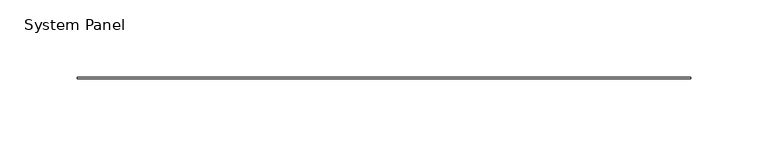
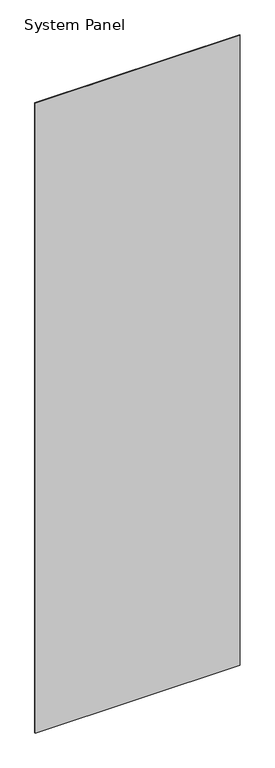
"""IFC4 building model written with IfcOpenShell, lengths in millimetres: plate geometry, System Panel."""

from ifc_helpers import new_model, si_unit, origin, origin_with_axes, place, context, project, spatial, polyline, outline, extrude, source, transform, mapped, element, save


def system_panel_f0092d0e(model_context):
    return source(origin(), model_context, "Body", "SweptSolid", [
        extrude(outline(polyline([(198.1200002, -0.4960937), (-198.1200002, -0.4960937), (-198.1200002, 0.4960938), (198.1200002, 0.4960938), (198.1200002, -0.4960937)])), origin_with_axes(), (0.0, 0.0, 1.0), 1285.875),
    ])


if __name__ == "__main__":
    model = new_model("IFC4")
    model_context = context("Model", 3, world=origin())
    ifc_project = project(units=[si_unit("LENGTHUNIT", "METRE", prefix="MILLI")], contexts=[model_context])
    site = spatial("IfcSite", under=ifc_project)
    building = spatial("IfcBuilding", under=site)
    placement = place(None, origin())
    system_panel_shape = system_panel_f0092d0e(model_context)
    element("IfcPlate", 1, ObjectType="System Panel", at=placement, inside=building, context=model_context, shape_type="MappedRepresentation", body=[
        mapped(system_panel_shape, transform((0.0, 0.0, 0.0), x_axis=(1.0, 0.0, 0.0), y_axis=(0.0, 1.0, 0.0), z_axis=(0.0, 0.0, 1.0))),
    ])
    save(model, "model.ifc")
